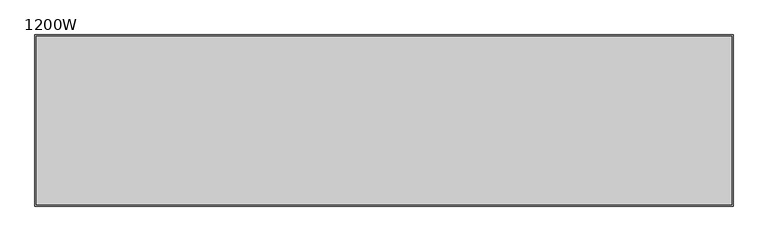
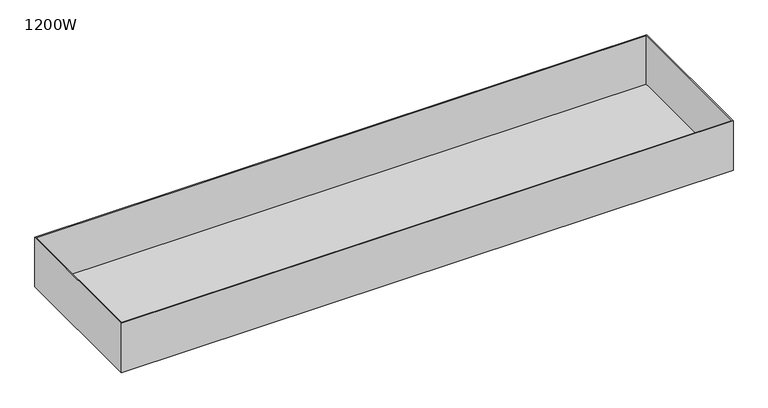
"""IFC4 building model written with IfcOpenShell, lengths in millimetres: furniture geometry, 1200W."""

from ifc_helpers import new_model, si_unit, origin, place, context, project, spatial, faceted_brep, source, transform, mapped, element, save


def furniture_1200w_fd2fcb90(model_context):
    return source(origin(), model_context, "Body", "Brep", [
        faceted_brep([(-510.0, -125.0, 435.0), (-510.0, -125.0, 522.0), (-510.0, 125.0, 522.0), (-510.0, 125.0, 435.0), (510.0, -125.0, 435.0), (510.0, 125.0, 435.0), (510.0, 125.0, 522.0), (510.0, -125.0, 522.0), (-508.0, 123.0, 522.0), (508.0, 123.0, 522.0), (508.0, -123.0, 522.0), (-508.0, -123.0, 522.0), (508.0, 123.0, 437.0), (-508.0, 123.0, 437.0), (-508.0, -123.0, 437.0), (508.0, -123.0, 437.0)], [[[0, 1, 2, 3]], [[4, 5, 6, 7]], [[1, 0, 4, 7]], [[2, 1, 7, 6], [8, 9, 10, 11]], [[3, 2, 6, 5]], [[0, 3, 5, 4]], [[12, 13, 14, 15]], [[13, 12, 9, 8]], [[14, 13, 8, 11]], [[15, 14, 11, 10]], [[12, 15, 10, 9]]]),
    ])


if __name__ == "__main__":
    model = new_model("IFC4")
    model_context = context("Model", 3, world=origin())
    ifc_project = project(units=[si_unit("LENGTHUNIT", "METRE", prefix="MILLI")], contexts=[model_context])
    site = spatial("IfcSite", under=ifc_project)
    building = spatial("IfcBuilding", under=site)
    placement = place(None, origin())
    furniture_1200w_shape = furniture_1200w_fd2fcb90(model_context)
    element("IfcFurniture", 1, ObjectType="1200W", at=placement, inside=building, context=model_context, shape_type="MappedRepresentation", body=[
        mapped(furniture_1200w_shape, transform((0.0, 0.0, 0.0), x_axis=(1.0, 0.0, 0.0), y_axis=(0.0, 1.0, 0.0), z_axis=(0.0, 0.0, 1.0))),
    ])
    save(model, "model.ifc")
